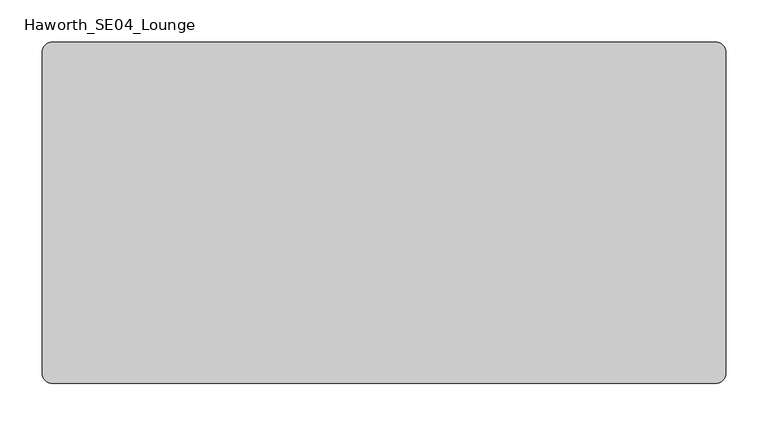
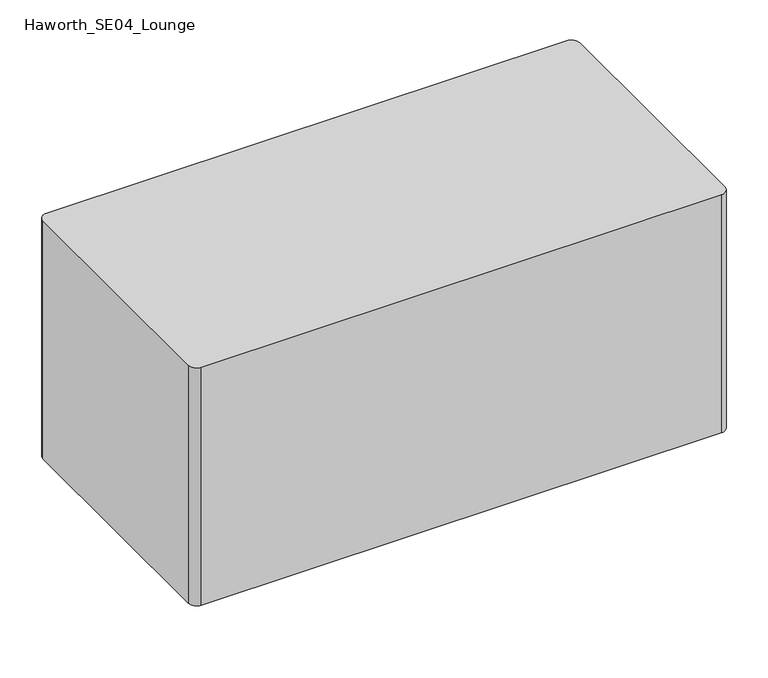
"""IFC4 building model written with IfcOpenShell, lengths in millimetres: furniture geometry, Haworth_SE04_Lounge."""

from ifc_helpers import new_model, si_unit, point, frame, frame_2d, origin, origin_with_axes, place, context, project, spatial, polyline, circle_curve, trimmed, segment, composite_curve, outline, extrude, source, transform, mapped, element, save


def haworth_se04_lounge_a194b602(model_context):
    return source(origin(), model_context, "Body", "SweptSolid", [
        extrude(outline(composite_curve([segment(trimmed(circle_curve(frame_2d((-304.8, 101.6)), 34.925), [point((-339.725, 101.6))], [point((-269.875, 101.6))], False, "CARTESIAN"), True, "CONTINUOUS"), segment(trimmed(circle_curve(frame_2d((-304.8, 101.6)), 34.925), [point((-269.875, 101.6))], [point((-339.725, 101.6))], False, "CARTESIAN"), True, "CONTINUOUS")], self_intersect=False)), origin_with_axes(), (0.0, 0.0, 1.0), 50.8),
        extrude(outline(composite_curve([segment(trimmed(circle_curve(frame_2d((304.8, 101.6)), 38.1), [point((266.7, 101.6))], [point((342.9, 101.6))], False, "CARTESIAN"), True, "CONTINUOUS"), segment(trimmed(circle_curve(frame_2d((304.8, 101.6)), 38.1), [point((342.9, 101.6))], [point((266.7, 101.6))], False, "CARTESIAN"), True, "CONTINUOUS")], self_intersect=False)), origin_with_axes(), (0.0, 0.0, 1.0), 50.8),
        extrude(outline(composite_curve([segment(trimmed(circle_curve(frame_2d((304.8, -101.6)), 38.1), [point((266.7, -101.6))], [point((342.9, -101.6))], False, "CARTESIAN"), True, "CONTINUOUS"), segment(trimmed(circle_curve(frame_2d((304.8, -101.6)), 38.1), [point((342.9, -101.6))], [point((266.7, -101.6))], False, "CARTESIAN"), True, "CONTINUOUS")], self_intersect=False)), origin_with_axes(), (0.0, 0.0, 1.0), 50.8),
        extrude(outline(composite_curve([segment(trimmed(circle_curve(frame_2d((-304.8, -101.6)), 38.1), [point((-342.9, -101.6))], [point((-266.7, -101.6))], False, "CARTESIAN"), True, "CONTINUOUS"), segment(trimmed(circle_curve(frame_2d((-304.8, -101.6)), 38.1), [point((-266.7, -101.6))], [point((-342.9, -101.6))], False, "CARTESIAN"), True, "CONTINUOUS")], self_intersect=False)), origin_with_axes(), (0.0, 0.0, 1.0), 50.8),
        extrude(outline(composite_curve([segment(trimmed(circle_curve(frame_2d((393.7, 190.5)), 12.7), [point((393.7, 203.2))], [point((406.4, 190.5))], False, "CARTESIAN"), True, "CONTINUOUS"), segment(polyline([(406.4, 190.5), (406.4, -190.5)]), True, "CONTINUOUS"), segment(trimmed(circle_curve(frame_2d((393.7, -190.5)), 12.7), [point((406.4, -190.5))], [point((393.7, -203.2))], False, "CARTESIAN"), True, "CONTINUOUS"), segment(polyline([(393.7, -203.2), (-393.7, -203.2)]), True, "CONTINUOUS"), segment(trimmed(circle_curve(frame_2d((-393.7, -190.5)), 12.7), [point((-393.7, -203.2))], [point((-406.4, -190.5))], False, "CARTESIAN"), True, "CONTINUOUS"), segment(polyline([(-406.4, -190.5), (-406.4, 190.5)]), True, "CONTINUOUS"), segment(trimmed(circle_curve(frame_2d((-393.7, 190.5)), 12.7), [point((-406.4, 190.5))], [point((-393.7, 203.2))], False, "CARTESIAN"), True, "CONTINUOUS"), segment(polyline([(-393.7, 203.2), (393.7, 203.2)]), True, "CONTINUOUS")], self_intersect=False)), frame((0.0, 0.0, 50.8), z_axis=(0.0, 0.0, 1.0), x_axis=(1.0, 0.0, 0.0)), (0.0, 0.0, 1.0), 381.0),
    ])


if __name__ == "__main__":
    model = new_model("IFC4")
    model_context = context("Model", 3, world=origin())
    ifc_project = project(units=[si_unit("LENGTHUNIT", "METRE", prefix="MILLI")], contexts=[model_context])
    site = spatial("IfcSite", under=ifc_project)
    building = spatial("IfcBuilding", under=site)
    placement = place(None, origin())
    haworth_se04_lounge_shape = haworth_se04_lounge_a194b602(model_context)
    element("IfcFurniture", 1, ObjectType="Haworth_SE04_Lounge", at=placement, inside=building, context=model_context, shape_type="MappedRepresentation", body=[
        mapped(haworth_se04_lounge_shape, transform((0.0, 0.0, 0.0), x_axis=(1.0, 0.0, 0.0), y_axis=(0.0, 1.0, 0.0), z_axis=(0.0, 0.0, 1.0))),
    ])
    save(model, "model.ifc")
